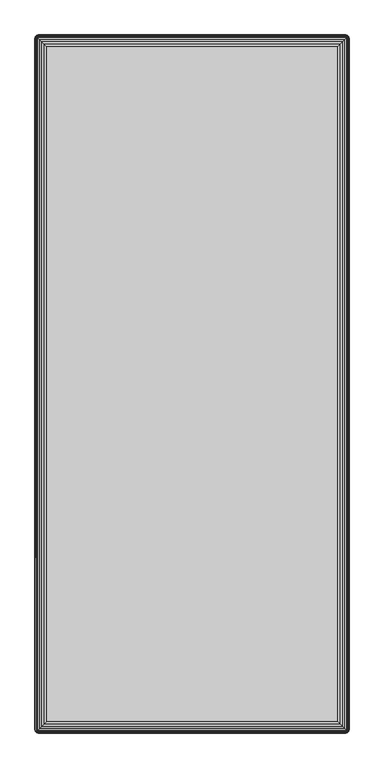
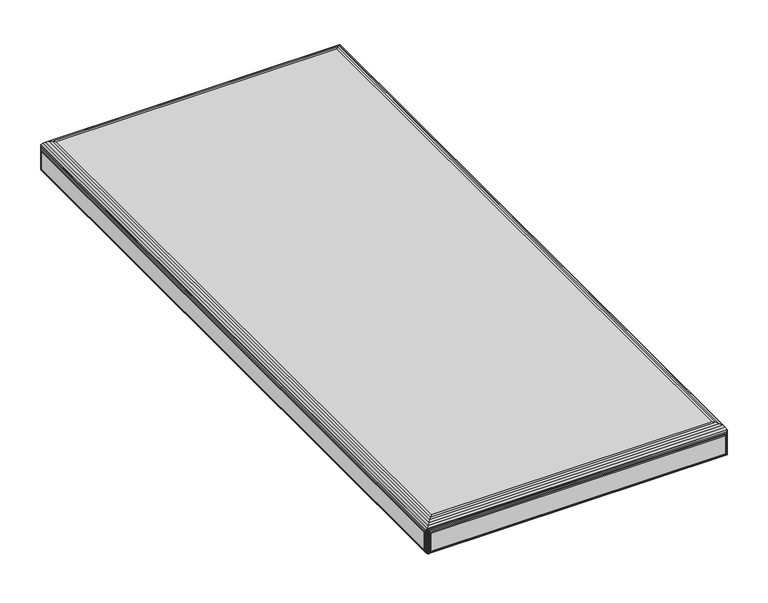
"""IFC4 building model written with IfcOpenShell, lengths in millimetres: furniture geometry."""

from ifc_helpers import new_model, si_unit, origin, place, context, project, spatial, triangles, source, transform, mapped, element, save


def furniture_d5ab2fa6(model_context):
    return source(origin(), model_context, "Body", "Tessellation", [
        triangles([(4019.8400343, 802.3042203, 400.0000031), (4019.8400343, 1762.3041985, 400.0000031), (4429.840299, 1762.3041985, 400.0000031), (4429.840299, 802.3042203, 400.0000031), (4019.8400343, 802.3042203, 411.9999973), (4429.840299, 802.3042203, 411.9999973), (4019.8400343, 1762.3041985, 411.9999973), (4429.840299, 1762.3041985, 411.9999973), (4002.3131971, 1781.1581349, 414.4729932), (4001.5972524, 1780.5471257, 413.7570122), (4001.8931646, 1780.8231263, 452.722984), (4002.8061903, 1781.4802083, 451.0670168), (4003.1160551, 1781.6501107, 415.2759965), (4001.7431738, 1780.6881055, 453.0079957), (4001.5972524, 1780.5471257, 453.2899916), (4003.7930486, 1781.9441334, 449.3739879), (4003.9860601, 1782.0101178, 416.1460015), (4004.9011205, 1782.2301625, 417.0609893), (4004.817114, 1782.2162099, 447.675), (4005.8400167, 1782.3041405, 445.9999932), (4005.8400167, 1782.3041405, 417.9999945), (4001.3211065, 1780.2512135, 452.722984), (4001.4562727, 1780.4012044, 453.0079957), (4000.9862432, 1779.831181, 414.4729932), (4000.4941221, 1779.0281777, 415.2759965), (4000.6641699, 1779.3381879, 451.0670168), (4000.1342603, 1778.1581727, 416.1460015), (4000.2002447, 1778.3511842, 449.3739879), (3999.9281683, 1777.3271188, 447.675), (3999.9142156, 1777.2431123, 417.0609893), (3999.8400923, 1776.3042161, 417.9999945), (3999.8400923, 1776.3042161, 445.9999932), (4447.3671362, 1781.1581349, 414.4729932), (4448.0830808, 1780.5471257, 413.7570122), (4446.5642782, 1781.6501107, 415.2759965), (4445.6942732, 1782.0101178, 416.1460015), (4444.7792127, 1782.2301625, 417.0609893), (4443.8400259, 1782.3041405, 417.9999945), (4002.3131971, 1779.831181, 413.146003), (4447.3671362, 1779.831181, 413.146003), (4446.5642782, 1779.0281777, 412.6539908), (4003.1160551, 1779.0281777, 412.6539908), (4445.6942732, 1778.1581727, 412.2939837), (4003.9860601, 1778.1581727, 412.2939837), (4004.9011205, 1777.2431123, 412.0740117), (4444.7792127, 1777.2431123, 412.0740117), (4443.8400259, 1776.3042161, 411.9999973), (4005.8400167, 1776.3042161, 411.9999973), (4443.8400259, 1782.3041405, 445.9999932), (4445.8872846, 1781.9441334, 449.3739879), (4444.8632192, 1782.2162099, 447.675), (4446.874143, 1781.4802083, 451.0670168), (4447.7871687, 1780.8231263, 452.722984), (4447.9371595, 1780.6881055, 453.0079957), (4448.0830808, 1780.5471257, 453.2899916), (4003.5270765, 1778.6171563, 456.2169931), (4446.1532568, 1778.6171563, 456.2169931), (4443.6321897, 1776.0971066, 458.653), (4006.0481436, 1776.0971066, 458.653), (4009.0380773, 1773.1061555, 460.4819944), (4440.642256, 1773.1061555, 460.4819944), (4012.355026, 1769.7892068, 461.6160095), (4437.3250166, 1769.7892068, 461.6160095), (4015.8402784, 1766.3040997, 461.9999977), (4433.8400549, 1766.3040997, 461.9999977), (4448.6940901, 1779.831181, 414.4729932), (4448.3592268, 1780.2512135, 452.722984), (4449.0161634, 1779.3381879, 451.0670168), (4449.1862112, 1779.0281777, 415.2759965), (4448.2240606, 1780.4012044, 453.0079957), (4449.4800886, 1778.3511842, 449.3739879), (4449.5460729, 1778.1581727, 416.1460015), (4449.7661176, 1777.2431123, 417.0609893), (4449.752165, 1777.3271188, 447.675), (4449.840241, 1776.3042161, 445.9999932), (4449.840241, 1776.3042161, 417.9999945), (4000.9862432, 784.7770924, 414.4729932), (4001.5972524, 784.0611478, 413.7570122), (4001.3211065, 784.3570599, 452.722984), (4000.6641699, 785.2700856, 451.0670168), (4000.4941221, 785.5802411, 415.2759965), (4001.4562727, 784.2070691, 453.0079957), (4001.5972524, 784.0611478, 453.2899916), (4000.2002447, 786.2572346, 449.3739879), (4000.1342603, 786.4502461, 416.1460015), (3999.9142156, 787.3650159, 417.0609893), (3999.9281683, 787.2810094, 447.675), (3999.8400923, 788.3042027, 445.9999932), (3999.8400923, 788.3042027, 417.9999945), (4001.8931646, 783.7852925, 452.722984), (4001.7431738, 783.920168, 453.0079957), (4002.3131971, 783.4501385, 414.4729932), (4003.1160551, 782.9580174, 415.2759965), (4002.8061903, 783.1280652, 451.0670168), (4003.9860601, 782.5981557, 416.1460015), (4003.7930486, 782.66414, 449.3739879), (4004.817114, 782.3920636, 447.675), (4004.9011205, 782.378111, 417.0609893), (4005.8400167, 782.3042783, 417.9999945), (4005.8400167, 782.3042783, 445.9999932), (4003.5270765, 785.9912625, 456.2169931), (4006.0481436, 788.5111668, 458.653), (4009.0380773, 791.5022633, 460.4819944), (4012.355026, 794.819212, 461.6160095), (4015.8402784, 798.3041737, 461.9999977), (4447.7871687, 783.7852925, 452.722984), (4447.9371595, 783.920168, 453.0079957), (4448.0830808, 784.0611478, 453.2899916), (4446.874143, 783.1280652, 451.0670168), (4445.8872846, 782.66414, 449.3739879), (4444.8632192, 782.3920636, 447.675), (4443.8400259, 782.3042783, 445.9999932), (4446.1532568, 785.9912625, 456.2169931), (4443.6321897, 788.5111668, 458.653), (4440.642256, 791.5022633, 460.4819944), (4437.3250166, 794.819212, 461.6160095), (4433.8400549, 798.3041737, 461.9999977), (4443.8400259, 782.3042783, 417.9999945), (4447.3671362, 783.4501385, 414.4729932), (4448.0830808, 784.0611478, 413.7570122), (4446.5642782, 782.9580174, 415.2759965), (4445.6942732, 782.5981557, 416.1460015), (4444.7792127, 782.378111, 417.0609893), (4448.3592268, 784.3570599, 452.722984), (4448.2240606, 784.2070691, 453.0079957), (4448.6940901, 784.7770924, 414.4729932), (4449.1862112, 785.5802411, 415.2759965), (4449.0161634, 785.2700856, 451.0670168), (4449.5460729, 786.4502461, 416.1460015), (4449.4800886, 786.2572346, 449.3739879), (4449.752165, 787.2810094, 447.675), (4449.7661176, 787.3650159, 417.0609893), (4449.840241, 788.3042027, 417.9999945), (4449.840241, 788.3042027, 445.9999932), (4447.3671362, 784.7770924, 413.146003), (4002.3131971, 784.7770924, 413.146003), (4003.1160551, 785.5802411, 412.6539908), (4446.5642782, 785.5802411, 412.6539908), (4003.9860601, 786.4502461, 412.2939837), (4445.6942732, 786.4502461, 412.2939837), (4444.7792127, 787.3650159, 412.0740117), (4004.9011205, 787.3650159, 412.0740117), (4005.8400167, 788.3042027, 411.9999973), (4443.8400259, 788.3042027, 411.9999973)], [[1, 2, 3], [1, 3, 4], [5, 1, 4], [6, 5, 4], [7, 2, 1], [5, 7, 1], [8, 3, 2], [7, 8, 2], [6, 4, 3], [8, 6, 3], [7, 5, 6], [8, 7, 6], [11, 9, 10], [11, 12, 13], [11, 13, 9], [10, 14, 11], [10, 15, 14], [13, 12, 16], [13, 16, 17], [19, 18, 17], [19, 20, 21], [19, 21, 18], [17, 16, 19], [22, 23, 15], [24, 22, 15], [24, 25, 26], [24, 26, 22], [15, 10, 24], [26, 25, 27], [26, 27, 28], [30, 29, 28], [30, 31, 32], [30, 32, 29], [28, 27, 30], [9, 33, 34], [9, 13, 35], [9, 35, 33], [34, 10, 9], [35, 13, 17], [35, 17, 36], [18, 37, 36], [18, 21, 38], [18, 38, 37], [36, 17, 18], [40, 39, 10], [40, 41, 42], [40, 42, 39], [10, 34, 40], [42, 41, 43], [42, 43, 44], [46, 45, 44], [46, 47, 48], [46, 48, 45], [44, 43, 46], [38, 21, 20], [49, 38, 20], [50, 19, 16], [51, 49, 20], [51, 20, 19], [19, 50, 51], [11, 14, 15], [15, 12, 11], [52, 12, 15], [52, 50, 16], [52, 16, 12], [15, 53, 52], [15, 54, 53], [15, 55, 54], [55, 15, 56], [55, 56, 57], [59, 58, 57], [59, 60, 61], [59, 61, 58], [57, 56, 59], [61, 60, 62], [61, 62, 63], [63, 62, 64], [63, 64, 65], [67, 66, 34], [67, 68, 69], [67, 69, 66], [34, 70, 67], [34, 55, 70], [69, 68, 71], [69, 71, 72], [74, 73, 72], [74, 75, 76], [74, 76, 73], [72, 71, 74], [53, 54, 55], [33, 53, 55], [33, 35, 52], [33, 52, 53], [55, 34, 33], [52, 35, 36], [52, 36, 50], [37, 51, 50], [37, 38, 49], [37, 49, 51], [50, 36, 37], [79, 77, 78], [79, 80, 81], [79, 81, 77], [78, 82, 79], [78, 83, 82], [81, 80, 84], [81, 84, 85], [87, 86, 85], [87, 88, 89], [87, 89, 86], [85, 84, 87], [90, 91, 83], [92, 90, 83], [92, 93, 94], [92, 94, 90], [83, 78, 92], [94, 93, 95], [94, 95, 96], [98, 97, 96], [98, 99, 100], [98, 100, 97], [96, 95, 98], [79, 82, 83], [83, 80, 79], [26, 80, 83], [26, 28, 84], [26, 84, 80], [83, 22, 26], [83, 23, 22], [83, 15, 23], [29, 87, 84], [29, 32, 88], [29, 88, 87], [84, 28, 29], [15, 83, 101], [15, 101, 56], [102, 59, 56], [102, 103, 60], [102, 60, 59], [56, 101, 102], [60, 103, 104], [60, 104, 62], [62, 104, 105], [62, 105, 64], [106, 107, 108], [108, 109, 106], [94, 109, 108], [94, 96, 110], [94, 110, 109], [108, 90, 94], [108, 91, 90], [108, 83, 91], [97, 111, 110], [97, 100, 112], [97, 112, 111], [110, 96, 97], [83, 108, 113], [83, 113, 101], [114, 102, 101], [114, 115, 103], [114, 103, 102], [101, 113, 114], [103, 115, 116], [103, 116, 104], [104, 116, 117], [104, 117, 105], [112, 100, 99], [118, 112, 99], [106, 119, 120], [106, 109, 121], [106, 121, 119], [120, 107, 106], [120, 108, 107], [121, 109, 110], [121, 110, 122], [111, 123, 122], [111, 112, 118], [111, 118, 123], [122, 110, 111], [124, 125, 108], [126, 124, 108], [126, 127, 128], [126, 128, 124], [108, 120, 126], [128, 127, 129], [128, 129, 130], [132, 131, 130], [132, 133, 134], [132, 134, 131], [130, 129, 132], [130, 74, 71], [131, 134, 75], [131, 75, 74], [74, 130, 131], [67, 70, 55], [55, 68, 67], [128, 68, 55], [128, 130, 71], [128, 71, 68], [55, 124, 128], [55, 125, 124], [55, 108, 125], [108, 55, 57], [108, 57, 113], [58, 114, 113], [58, 61, 115], [58, 115, 114], [113, 57, 58], [115, 61, 63], [115, 63, 116], [116, 63, 65], [116, 65, 117], [122, 98, 95], [123, 118, 99], [123, 99, 98], [98, 122, 123], [122, 95, 93], [121, 122, 93], [120, 92, 78], [119, 121, 93], [119, 93, 92], [92, 120, 119], [136, 135, 120], [136, 137, 138], [136, 138, 135], [120, 78, 136], [138, 137, 139], [138, 139, 140], [142, 141, 140], [142, 143, 144], [142, 144, 141], [140, 139, 142], [85, 30, 27], [86, 89, 31], [86, 31, 30], [30, 85, 86], [85, 27, 25], [81, 85, 25], [78, 24, 10], [77, 81, 25], [77, 25, 24], [24, 78, 77], [39, 136, 78], [39, 42, 137], [39, 137, 136], [78, 10, 39], [137, 42, 44], [137, 44, 139], [45, 142, 139], [45, 48, 143], [45, 143, 142], [139, 44, 45], [66, 126, 120], [66, 69, 127], [66, 127, 126], [120, 34, 66], [127, 69, 72], [127, 72, 129], [73, 132, 129], [73, 76, 133], [73, 133, 132], [129, 72, 73], [135, 40, 34], [135, 138, 41], [135, 41, 40], [34, 120, 135], [41, 138, 140], [41, 140, 43], [141, 46, 43], [141, 144, 47], [141, 47, 46], [43, 140, 141], [88, 32, 31], [89, 88, 31], [143, 48, 47], [143, 47, 144], [117, 65, 64], [105, 117, 64], [133, 76, 75], [134, 133, 75]]),
    ])


if __name__ == "__main__":
    model = new_model("IFC4")
    model_context = context("Model", 3, world=origin())
    ifc_project = project(units=[si_unit("LENGTHUNIT", "METRE", prefix="MILLI")], contexts=[model_context])
    site = spatial("IfcSite", under=ifc_project)
    building = spatial("IfcBuilding", under=site)
    placement = place(None, origin())
    furniture_shape = furniture_d5ab2fa6(model_context)
    element("IfcFurniture", 1, at=placement, inside=building, context=model_context, shape_type="MappedRepresentation", body=[
        mapped(furniture_shape, transform((0.0, 0.0, 0.0), x_axis=(1.0, 0.0, 0.0), y_axis=(0.0, 1.0, 0.0), z_axis=(0.0, 0.0, 1.0))),
    ])
    save(model, "model.ifc")
